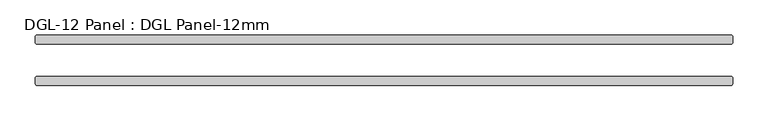
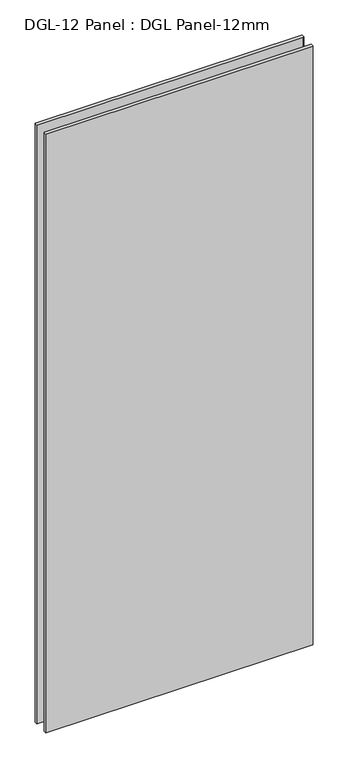
"""IFC4 building model written with IfcOpenShell, lengths in millimetres: plate geometry, DGL-12 Panel : DGL Panel-12mm."""

from ifc_helpers import new_model, si_unit, origin, origin_with_axes, place, context, project, spatial, polyline, outline, extrude, source, transform, mapped, element, save


def dgl_12_panel_dgl_panel_12mm_384dae3c(model_context):
    return source(origin(), model_context, "Body", "SweptSolid", [
        extrude(outline(polyline([(492.8567398, -22.9195313), (494.4442398, -24.5070313), (494.4442398, -34.0320313), (492.8567398, -35.6195313), (-492.8567398, -35.6195313), (-494.4442398, -34.0320313), (-494.4442398, -24.5070313), (-492.8567398, -22.9195313), (492.8567398, -22.9195313)])), origin_with_axes(), (0.0, 0.0, 1.0), 2339.4622278),
        extrude(outline(polyline([(492.8567398, 35.6195312), (494.4442398, 34.0320312), (494.4442398, 24.5070312), (492.8567398, 22.9195312), (-492.8567398, 22.9195312), (-494.4442398, 24.5070312), (-494.4442398, 34.0320312), (-492.8567398, 35.6195312), (492.8567398, 35.6195312)])), origin_with_axes(), (0.0, 0.0, 1.0), 2339.4622278),
    ])


if __name__ == "__main__":
    model = new_model("IFC4")
    model_context = context("Model", 3, world=origin())
    ifc_project = project(units=[si_unit("LENGTHUNIT", "METRE", prefix="MILLI")], contexts=[model_context])
    site = spatial("IfcSite", under=ifc_project)
    building = spatial("IfcBuilding", under=site)
    placement = place(None, origin())
    dgl_12_panel_dgl_panel_12mm_shape = dgl_12_panel_dgl_panel_12mm_384dae3c(model_context)
    element("IfcPlate", 1, ObjectType="DGL-12 Panel : DGL Panel-12mm", at=placement, inside=building, context=model_context, shape_type="MappedRepresentation", body=[
        mapped(dgl_12_panel_dgl_panel_12mm_shape, transform((0.0, 0.0, 0.0), x_axis=(1.0, 0.0, 0.0), y_axis=(0.0, 1.0, 0.0), z_axis=(0.0, 0.0, 1.0))),
    ])
    save(model, "model.ifc")
